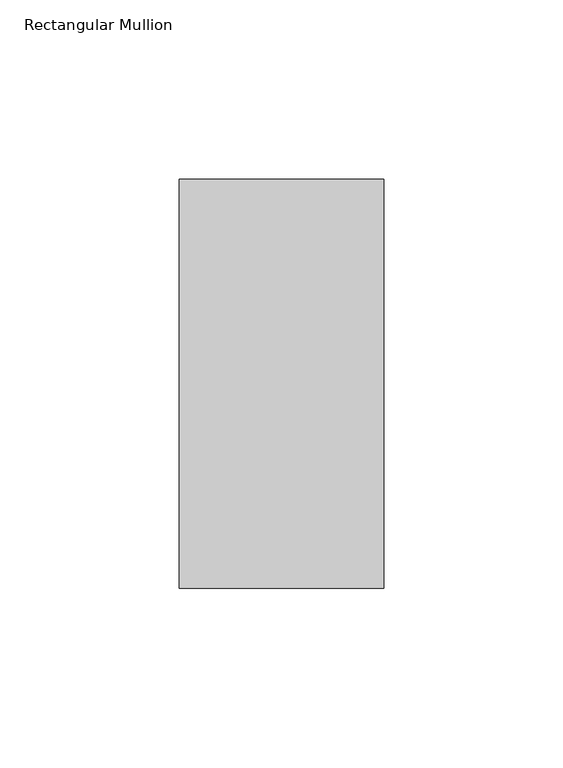
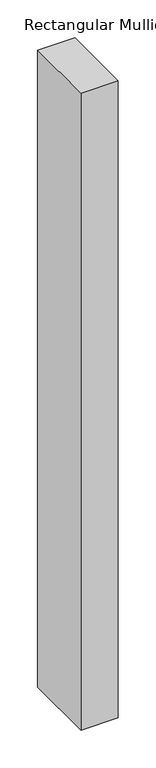
"""IFC4 building model written with IfcOpenShell, lengths in millimetres: member geometry, Rectangular Mullion."""

from ifc_helpers import new_model, si_unit, frame, origin, place, context, project, spatial, polyline, outline, extrude, source, transform, mapped, element, save


def rectangular_mullion_19fe0d3f(model_context):
    return source(origin(), model_context, "Body", "SweptSolid", [
        extrude(outline(polyline([(-57.15, 57.12714), (0.0, 57.12714), (0.0, -57.17286), (-57.15, -57.17286), (-57.15, 57.12714)])), frame((0.0, 0.0, -1028.7), z_axis=(0.0, 0.0, 1.0), x_axis=(1.0, 0.0, 0.0)), (0.0, 0.0, 1.0), 1028.7),
    ])


if __name__ == "__main__":
    model = new_model("IFC4")
    model_context = context("Model", 3, world=origin())
    ifc_project = project(units=[si_unit("LENGTHUNIT", "METRE", prefix="MILLI")], contexts=[model_context])
    site = spatial("IfcSite", under=ifc_project)
    building = spatial("IfcBuilding", under=site)
    placement = place(None, origin())
    rectangular_mullion_shape = rectangular_mullion_19fe0d3f(model_context)
    element("IfcMember", 1, ObjectType="Rectangular Mullion", at=placement, inside=building, context=model_context, shape_type="MappedRepresentation", body=[
        mapped(rectangular_mullion_shape, transform((0.0, 0.0, 0.0), x_axis=(1.0, 0.0, 0.0), y_axis=(0.0, 1.0, 0.0), z_axis=(0.0, 0.0, 1.0))),
    ])
    save(model, "model.ifc")
